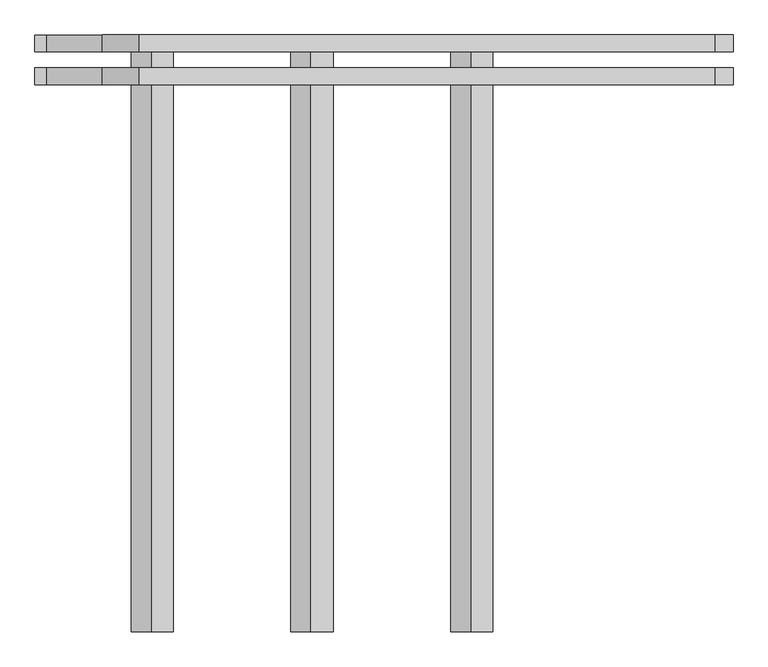
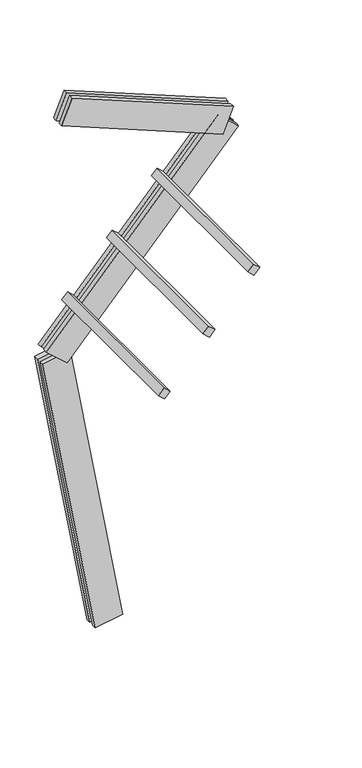
"""IFC4 building model written with IfcOpenShell, lengths in millimetres: proxy geometry."""

from ifc_helpers import new_model, si_unit, frame, origin, place, context, project, spatial, polyline, outline, extrude, source, transform, mapped, element, save


def generic_models_4cc4c6d1(model_context):
    return source(origin(), model_context, "Body", "SweptSolid", [
        extrude(outline(polyline([(0.0, -1500.0), (0.0, 0.0), (75.0000001, 0.0), (75.0000001, -1500.0), (0.0, -1500.0)])), frame((-349.8268023, 62.5, 3090.0649846), z_axis=(0.669130606358859, 0.0, 0.7431448254773936), x_axis=(0.7431448254773936, 0.0, -0.669130606358859)), (0.0, 0.0, 1.0), 75.0),
        extrude(outline(polyline([(0.0, -1500.0), (0.0, 0.0), (75.0, 0.0), (75.0, -1500.0), (0.0, -1500.0)])), frame((51.6515616, 62.5, 3535.9518799), z_axis=(0.669130606358859, 0.0, 0.7431448254773936), x_axis=(0.7431448254773936, 0.0, -0.669130606358859)), (0.0, 0.0, 1.0), 75.0),
        extrude(outline(polyline([(0.0, -1500.0), (0.0, 0.0), (75.0, 0.0), (75.0, -1500.0), (0.0, -1500.0)])), frame((453.1299254, 62.5, 3981.8387752), z_axis=(0.669130606358859, 0.0, 0.7431448254773936), x_axis=(0.7431448254773936, 0.0, -0.669130606358859)), (0.0, 0.0, 1.0), 75.0),
        extrude(outline(polyline([(1560.0, -125.0), (0.0, -125.0), (0.0, -82.5), (1560.0, -82.5), (1560.0, -125.0)])), frame((1023.3244907, -62.5, 4252.3160499), z_axis=(0.3746065934159144, 0.0, 0.9271838545667865), x_axis=(-0.9271838545667865, 0.0, 0.3746065934159144)), (0.0, 0.0, 1.0), 250.0),
        extrude(outline(polyline([(0.0, 0.0), (1560.0, 0.0), (1560.0, -42.5), (0.0, -42.5), (0.0, 0.0)])), frame((1023.3244907, -62.5, 4252.3160499), z_axis=(0.3746065934159144, 0.0, 0.9271838545667865), x_axis=(-0.9271838545667865, 0.0, 0.3746065934159144)), (0.0, 0.0, 1.0), 250.0),
        extrude(outline(polyline([(-125.0, -250.0), (-125.0, 0.0), (-82.5, 0.0), (-82.5, -250.0), (-125.0, -250.0)])), frame((-375.9569765, -62.5, 2575.3396073), z_axis=(0.669130606358859, 0.0, 0.7431448254773936), x_axis=(0.0, -1.0, 0.0)), (0.0, 0.0, 1.0), 2300.0),
        extrude(outline(polyline([(0.0, 0.0), (0.0, -250.0), (-42.5, -250.0), (-42.5, 0.0), (0.0, 0.0)])), frame((-375.9569765, -62.5, 2575.3396073), z_axis=(0.669130606358859, 0.0, 0.7431448254773936), x_axis=(0.0, -1.0, 0.0)), (0.0, 0.0, 1.0), 2300.0),
        extrude(outline(polyline([(-125.0, -249.9999999), (-125.0, 0.0), (-82.5, 0.0), (-82.5, -249.9999999), (-125.0, -249.9999999)])), frame((123.1009691, -62.5, 21.7060222), z_axis=(-0.17364817766693158, 0.0, 0.9848077530122079), x_axis=(0.0, -1.0, 0.0)), (0.0, 0.0, 1.0), 2700.0),
        extrude(outline(polyline([(0.0, 0.0), (0.0, -249.9999999), (-42.5, -249.9999999), (-42.5, 0.0), (0.0, 0.0)])), frame((123.1009691, -62.5, 21.7060222), z_axis=(-0.17364817766693158, 0.0, 0.9848077530122079), x_axis=(0.0, -1.0, 0.0)), (0.0, 0.0, 1.0), 2700.0),
    ])


if __name__ == "__main__":
    model = new_model("IFC4")
    model_context = context("Model", 3, world=origin())
    ifc_project = project(units=[si_unit("LENGTHUNIT", "METRE", prefix="MILLI")], contexts=[model_context])
    site = spatial("IfcSite", under=ifc_project)
    building = spatial("IfcBuilding", under=site)
    placement = place(None, origin())
    generic_models_shape = generic_models_4cc4c6d1(model_context)
    element("IfcBuildingElementProxy", 1, Name="Generic Models", at=placement, inside=building, context=model_context, shape_type="MappedRepresentation", body=[
        mapped(generic_models_shape, transform((0.0, 0.0, 0.0), x_axis=(1.0, 0.0, 0.0), y_axis=(0.0, 1.0, 0.0), z_axis=(0.0, 0.0, 1.0))),
    ])
    save(model, "model.ifc")
